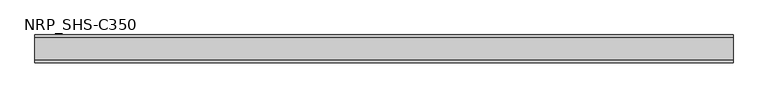
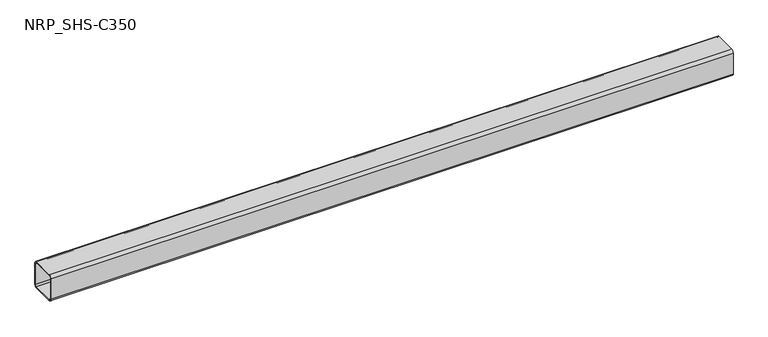
"""IFC4 building model written with IfcOpenShell, lengths in millimetres: member geometry, NRP_SHS-C350."""

from ifc_helpers import new_model, si_unit, point, frame, frame_2d, origin, place, context, project, spatial, polyline, circle_curve, trimmed, segment, composite_curve, outline, extrude, source, transform, mapped, element, save


def nrp_shs_c350_805e6ef5(model_context):
    return source(origin(), model_context, "Body", "SweptSolid", [
        extrude(outline(composite_curve([segment(trimmed(circle_curve(frame_2d((-35.75, 35.75)), 8.75), [point((-44.5, 35.75))], [point((-35.75, 44.5))], False, "CARTESIAN"), True, "CONTINUOUS"), segment(polyline([(-35.75, 44.5), (35.75, 44.5)]), True, "CONTINUOUS"), segment(trimmed(circle_curve(frame_2d((35.75, 35.75)), 8.75), [point((35.75, 44.5))], [point((44.5, 35.75))], False, "CARTESIAN"), True, "CONTINUOUS"), segment(polyline([(44.5, 35.75), (44.5, -35.75)]), True, "CONTINUOUS"), segment(trimmed(circle_curve(frame_2d((35.75, -35.75)), 8.75), [point((44.5, -35.75))], [point((35.75, -44.5))], False, "CARTESIAN"), True, "CONTINUOUS"), segment(polyline([(35.75, -44.5), (-35.75, -44.5)]), True, "CONTINUOUS"), segment(trimmed(circle_curve(frame_2d((-35.75, -35.75)), 8.75), [point((-35.75, -44.5))], [point((-44.5, -35.75))], False, "CARTESIAN"), True, "CONTINUOUS"), segment(polyline([(-44.5, -35.75), (-44.5, 35.75)]), True, "CONTINUOUS")], self_intersect=False), holes=[composite_curve([segment(polyline([(35.75, 41.0), (-35.75, 41.0)]), True, "CONTINUOUS"), segment(trimmed(circle_curve(frame_2d((-35.75, 35.75)), 5.25), [point((-35.75, 41.0))], [point((-41.0, 35.75))], True, "CARTESIAN"), True, "CONTINUOUS"), segment(polyline([(-41.0, 35.75), (-41.0, -35.75)]), True, "CONTINUOUS"), segment(trimmed(circle_curve(frame_2d((-35.75, -35.75)), 5.25), [point((-41.0, -35.75))], [point((-35.75, -41.0))], True, "CARTESIAN"), True, "CONTINUOUS"), segment(polyline([(-35.75, -41.0), (35.75, -41.0)]), True, "CONTINUOUS"), segment(trimmed(circle_curve(frame_2d((35.75, -35.75)), 5.25), [point((35.75, -41.0))], [point((41.0, -35.75))], True, "CARTESIAN"), True, "CONTINUOUS"), segment(polyline([(41.0, -35.75), (41.0, 35.75)]), True, "CONTINUOUS"), segment(trimmed(circle_curve(frame_2d((35.75, 35.75)), 5.25), [point((41.0, 35.75))], [point((35.75, 41.0))], True, "CARTESIAN"), True, "CONTINUOUS")], self_intersect=False)]), frame((-1078.5, 0.0, 0.0), z_axis=(1.0, 0.0, 0.0), x_axis=(0.0, 1.0, 0.0)), (0.0, 0.0, 1.0), 2214.0),
    ])


if __name__ == "__main__":
    model = new_model("IFC4")
    model_context = context("Model", 3, world=origin())
    ifc_project = project(units=[si_unit("LENGTHUNIT", "METRE", prefix="MILLI")], contexts=[model_context])
    site = spatial("IfcSite", under=ifc_project)
    building = spatial("IfcBuilding", under=site)
    placement = place(None, origin())
    nrp_shs_c350_shape = nrp_shs_c350_805e6ef5(model_context)
    element("IfcMember", 1, ObjectType="NRP_SHS-C350", at=placement, inside=building, context=model_context, shape_type="MappedRepresentation", body=[
        mapped(nrp_shs_c350_shape, transform((0.0, 0.0, 0.0), x_axis=(1.0, 0.0, 0.0), y_axis=(0.0, 1.0, 0.0), z_axis=(0.0, 0.0, 1.0))),
    ])
    save(model, "model.ifc")
